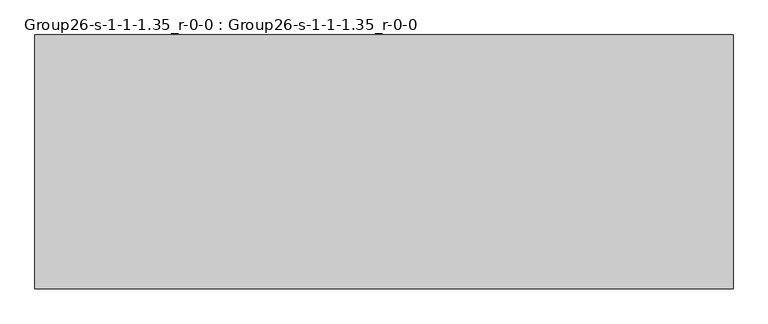
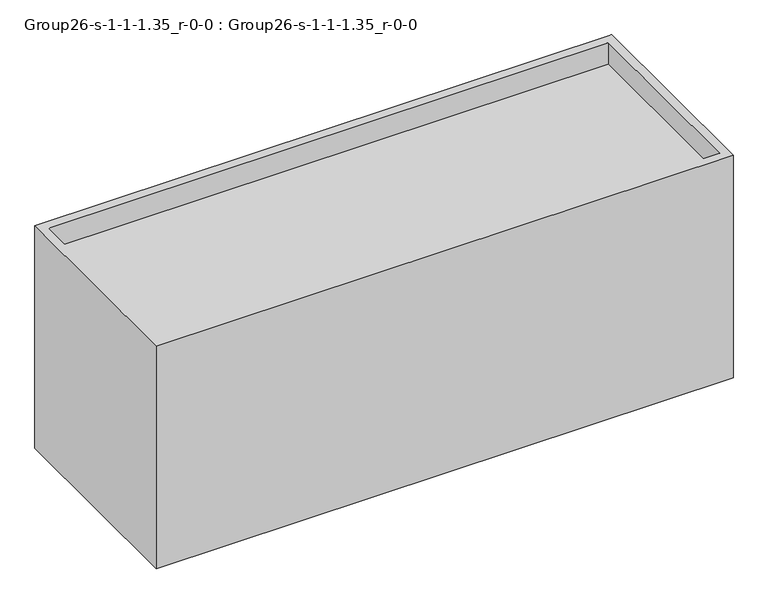
"""IFC4 building model written with IfcOpenShell, lengths in millimetres: geographic element geometry, Group26-s-1-1-1.35_r-0-0 : Group26-s-1-1-1.35_r-0-0."""

from ifc_helpers import new_model, si_unit, origin, place, context, project, spatial, triangles, source, transform, mapped, element, save


def group26_s_1_1_1_35_r_0_0_group26_s_1_1_1_35_r_0_0_55fea26b(model_context):
    return source(origin(), model_context, "Body", "Tessellation", [
        triangles([(16976.7253876, 7585.0748062, 0.0), (16976.7253876, 0.0, 8499.6335175), (16976.7253876, 0.0, 0.0), (16976.7253876, 7585.0748062, 8499.6335175), (16671.9253876, 7280.2748062, 8499.6335175), (16671.9253876, 304.8, 7676.6738663), (16671.9253876, 304.8, 8499.6335175), (16671.9253876, 7280.2748062, 7676.6738663), (-3563.9658897, 7280.2748062, 7676.6738663), (-3563.9658897, 7280.2748062, 8499.6335175), (-3868.7658897, 0.0, 0.0), (-3868.7658897, 0.0, 8499.6335175), (-3868.7658897, 7585.0748062, 8499.6335175), (-3868.7658897, 7585.0748062, 0.0), (-3563.9658897, 304.8, 8499.6335175), (-3563.9658897, 304.8, 7676.6738663)], [[1, 2, 3], [2, 1, 4], [5, 6, 7], [6, 5, 8], [5, 9, 8], [9, 5, 10], [2, 11, 3], [11, 2, 12], [13, 1, 14], [1, 13, 4], [1, 11, 14], [11, 1, 3], [12, 15, 13], [15, 12, 2], [15, 2, 7], [7, 2, 5], [13, 10, 4], [10, 13, 15], [4, 10, 5], [4, 5, 2], [9, 15, 16], [15, 9, 10], [15, 6, 16], [6, 15, 7], [6, 9, 16], [9, 6, 8], [13, 11, 12], [11, 13, 14]]),
    ])


if __name__ == "__main__":
    model = new_model("IFC4")
    model_context = context("Model", 3, world=origin())
    ifc_project = project(units=[si_unit("LENGTHUNIT", "METRE", prefix="MILLI")], contexts=[model_context])
    site = spatial("IfcSite", under=ifc_project)
    building = spatial("IfcBuilding", under=site)
    placement = place(None, origin())
    group26_s_1_1_1_35_r_0_0_group26_s_1_1_1_35_r_0_0_shape = group26_s_1_1_1_35_r_0_0_group26_s_1_1_1_35_r_0_0_55fea26b(model_context)
    element("IfcGeographicElement", 1, ObjectType="Group26-s-1-1-1.35_r-0-0 : Group26-s-1-1-1.35_r-0-0", at=placement, inside=building, context=model_context, shape_type="MappedRepresentation", body=[
        mapped(group26_s_1_1_1_35_r_0_0_group26_s_1_1_1_35_r_0_0_shape, transform((0.0, 0.0, 0.0), x_axis=(1.0, 0.0, 0.0), y_axis=(0.0, 1.0, 0.0), z_axis=(0.0, 0.0, 1.0))),
    ])
    save(model, "model.ifc")
